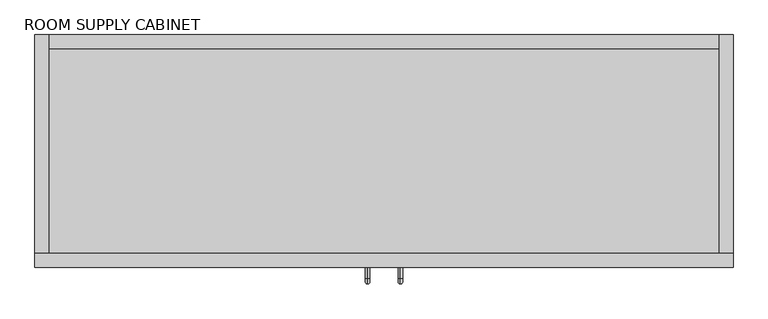
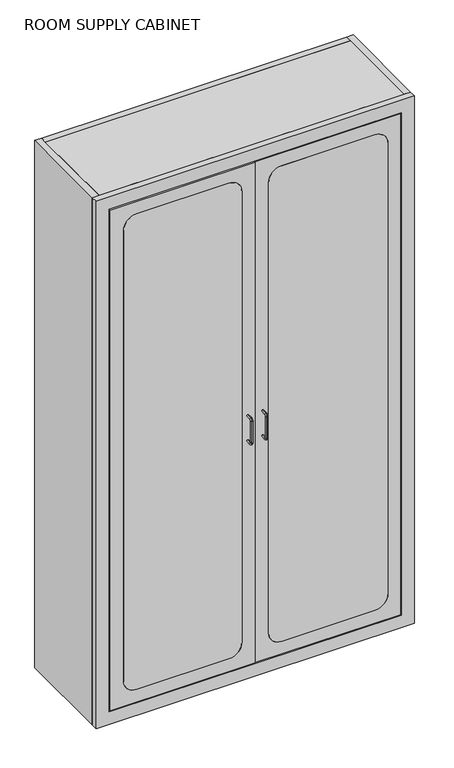
"""IFC4 building model written with IfcOpenShell, lengths in millimetres: proxy geometry, ROOM SUPPLY CABINET."""

from ifc_helpers import new_model, si_unit, point, frame, frame_2d, origin, origin_with_axes, place, context, project, spatial, polyline, circle_curve, ellipse_curve, trimmed, segment, composite_curve, outline, extrude, source, transform, mapped, element, save
from ifc_brep_helpers import plane_surface, cylinder_surface, revolved_surface, advanced_brep


def room_supply_cabinet_da64c562(model_context):
    return source(origin(), model_context, "Body", "SolidModel", [
        extrude(outline(polyline([(954.0836975, 0.0), (928.6836975, 0.0), (928.6836975, 355.6), (954.0836975, 355.6), (954.0836975, 0.0)])), frame((0.0, 0.0, 1476.375), z_axis=(0.0, 0.0, 1.0), x_axis=(1.0, 0.0, 0.0)), (0.0, 0.0, 1.0), 76.2),
        extrude(outline(polyline([(547.6836975, 0.0), (522.2836975, 0.0), (522.2836975, 355.6), (547.6836975, 355.6), (547.6836975, 0.0)])), frame((0.0, 0.0, 1476.375), z_axis=(0.0, 0.0, 1.0), x_axis=(1.0, 0.0, 0.0)), (0.0, 0.0, 1.0), 76.2),
        extrude(outline(polyline([(750.8836975, 0.0), (725.4836975, 0.0), (725.4836975, 355.6), (750.8836975, 355.6), (750.8836975, 0.0)])), frame((0.0, 0.0, 1476.375), z_axis=(0.0, 0.0, 1.0), x_axis=(1.0, 0.0, 0.0)), (0.0, 0.0, 1.0), 76.2),
        extrude(outline(polyline([(649.2836975, 0.0), (623.8836975, 0.0), (623.8836975, 355.6), (649.2836975, 355.6), (649.2836975, 0.0)])), frame((0.0, 0.0, 1476.375), z_axis=(0.0, 0.0, 1.0), x_axis=(1.0, 0.0, 0.0)), (0.0, 0.0, 1.0), 76.2),
        extrude(outline(polyline([(852.4836975, 0.0), (827.0836975, 0.0), (827.0836975, 355.6), (852.4836975, 355.6), (852.4836975, 0.0)])), frame((0.0, 0.0, 1476.375), z_axis=(0.0, 0.0, 1.0), x_axis=(1.0, 0.0, 0.0)), (0.0, 0.0, 1.0), 76.2),
        extrude(outline(polyline([(-11.1163025, 0.0), (-36.5163025, 0.0), (-36.5163025, 355.6), (-11.1163025, 355.6), (-11.1163025, 0.0)])), frame((0.0, 0.0, 1476.375), z_axis=(0.0, 0.0, 1.0), x_axis=(1.0, 0.0, 0.0)), (0.0, 0.0, 1.0), 76.2),
        extrude(outline(polyline([(395.2836975, 0.0), (369.8836975, 0.0), (369.8836975, 355.6), (395.2836975, 355.6), (395.2836975, 0.0)])), frame((0.0, 0.0, 1476.375), z_axis=(0.0, 0.0, 1.0), x_axis=(1.0, 0.0, 0.0)), (0.0, 0.0, 1.0), 76.2),
        extrude(outline(polyline([(192.0836975, 0.0), (166.6836975, 0.0), (166.6836975, 355.6), (192.0836975, 355.6), (192.0836975, 0.0)])), frame((0.0, 0.0, 1476.375), z_axis=(0.0, 0.0, 1.0), x_axis=(1.0, 0.0, 0.0)), (0.0, 0.0, 1.0), 76.2),
        extrude(outline(polyline([(293.6836975, 0.0), (268.2836975, 0.0), (268.2836975, 355.6), (293.6836975, 355.6), (293.6836975, 0.0)])), frame((0.0, 0.0, 1476.375), z_axis=(0.0, 0.0, 1.0), x_axis=(1.0, 0.0, 0.0)), (0.0, 0.0, 1.0), 76.2),
        extrude(outline(polyline([(90.4836975, 0.0), (65.0836975, 0.0), (65.0836975, 355.6), (90.4836975, 355.6), (90.4836975, 0.0)])), frame((0.0, 0.0, 1476.375), z_axis=(0.0, 0.0, 1.0), x_axis=(1.0, 0.0, 0.0)), (0.0, 0.0, 1.0), 76.2),
        extrude(outline(polyline([(1042.9836975, 0.0), (-125.4163025, 0.0), (-125.4163025, 355.6), (1042.9836975, 355.6), (1042.9836975, 0.0)])), frame((0.0, 0.0, 1552.575), z_axis=(0.0, 0.0, 1.0), x_axis=(1.0, 0.0, 0.0)), (0.0, 0.0, 1.0), 12.7),
        extrude(outline(composite_curve([segment(trimmed(circle_curve(frame_2d((155.575, 4.7586975)), 50.8), [point((155.575, -46.0413025))], [point((104.775, 4.7586975))], False, "CARTESIAN"), True, "CONTINUOUS"), segment(polyline([(104.775, 4.7586975), (104.775, 357.1786276)]), True, "CONTINUOUS"), segment(trimmed(circle_curve(frame_2d((155.575, 357.1786276)), 50.8), [point((104.775, 357.1786276))], [point((155.575, 407.9786276))], False, "CARTESIAN"), True, "CONTINUOUS"), segment(polyline([(155.575, 407.9786276), (1978.025, 407.9786276)]), True, "CONTINUOUS"), segment(trimmed(circle_curve(frame_2d((1978.025, 357.1786276)), 50.8), [point((1978.025, 407.9786276))], [point((2028.825, 357.1786276))], False, "CARTESIAN"), True, "CONTINUOUS"), segment(polyline([(2028.825, 357.1786276), (2028.825, 4.7586975)]), True, "CONTINUOUS"), segment(trimmed(circle_curve(frame_2d((1978.025, 4.7586975)), 50.8), [point((2028.825, 4.7586975))], [point((1978.025, -46.0413025))], False, "CARTESIAN"), True, "CONTINUOUS"), segment(polyline([(1978.025, -46.0413025), (155.575, -46.0413025)]), True, "CONTINUOUS")], self_intersect=False)), frame((0.0, -25.4, 0.0), z_axis=(0.0, 1.0, 0.0), x_axis=(0.0, 0.0, 1.0)), (0.0, 0.0, 1.0), 25.4),
        extrude(outline(composite_curve([segment(trimmed(circle_curve(frame_2d((155.575, 560.3836975)), 50.8), [point((155.575, 509.5836975))], [point((104.775, 560.3836975))], False, "CARTESIAN"), True, "CONTINUOUS"), segment(polyline([(104.775, 560.3836975), (104.775, 915.9836975)]), True, "CONTINUOUS"), segment(trimmed(circle_curve(frame_2d((155.575, 915.9836975)), 50.8), [point((104.775, 915.9836975))], [point((155.575, 966.7836975))], False, "CARTESIAN"), True, "CONTINUOUS"), segment(polyline([(155.575, 966.7836975), (1978.025, 966.7836975)]), True, "CONTINUOUS"), segment(trimmed(circle_curve(frame_2d((1978.025, 915.9836975)), 50.8), [point((1978.025, 966.7836975))], [point((2028.825, 915.9836975))], False, "CARTESIAN"), True, "CONTINUOUS"), segment(polyline([(2028.825, 915.9836975), (2028.825, 560.3836975)]), True, "CONTINUOUS"), segment(trimmed(circle_curve(frame_2d((1978.025, 560.3836975)), 50.8), [point((2028.825, 560.3836975))], [point((1978.025, 509.5836975))], False, "CARTESIAN"), True, "CONTINUOUS"), segment(polyline([(1978.025, 509.5836975), (155.575, 509.5836975)]), True, "CONTINUOUS")], self_intersect=False)), frame((0.0, -25.4, 0.0), z_axis=(0.0, 1.0, 0.0), x_axis=(0.0, 0.0, 1.0)), (0.0, 0.0, 1.0), 25.4),
        extrude(outline(polyline([(1042.9836975, 355.6), (1042.9836975, 0.0), (-125.4163025, 0.0), (-125.4163025, 355.6), (1042.9836975, 355.6)])), frame((0.0, 0.0, 2108.2), z_axis=(0.0, 0.0, 1.0), x_axis=(1.0, 0.0, 0.0)), (0.0, 0.0, 1.0), 25.4),
        extrude(outline(polyline([(1042.9836975, 355.6), (1042.9836975, 0.0), (-125.4163025, 0.0), (-125.4163025, 355.6), (1042.9836975, 355.6)])), frame((0.0, 0.0, 28.575), z_axis=(0.0, 0.0, 1.0), x_axis=(1.0, 0.0, 0.0)), (0.0, 0.0, 1.0), 25.4),
        extrude(outline(polyline([(1042.9836975, 355.6), (-125.4163025, 355.6), (-125.4163025, 381.0), (1042.9836975, 381.0), (1042.9836975, 355.6)])), origin_with_axes(), (0.0, 0.0, 1.0), 2133.6),
        extrude(outline(polyline([(-150.8163025, 0.0), (-150.8163025, 381.0), (-125.4163025, 381.0), (-125.4163025, 0.0), (-150.8163025, 0.0)])), origin_with_axes(), (0.0, 0.0, 1.0), 2133.6),
        extrude(outline(polyline([(1068.3836975, 381.0), (1068.3836975, 0.0), (1042.9836975, 0.0), (1042.9836975, 381.0), (1068.3836975, 381.0)])), origin_with_axes(), (0.0, 0.0, 1.0), 2133.6),
        advanced_brep(
        [(487.359965, -25.4, 1067.435), (487.359965, -25.4, 1059.815), (487.359965, -44.45, 1067.435), (487.359965, -44.45, 1059.815), (487.359965, -46.99, 1057.275), (487.359965, -54.61, 1057.275), (487.359965, -54.61, 968.375), (487.359965, -46.99, 968.375), (487.359965, -44.45, 965.835), (487.359965, -44.45, 958.215), (487.359965, -25.4, 958.215), (487.359965, -25.4, 965.835)],
        [
            (0, 1, circle_curve(frame((487.359965, -25.4, 1063.625), z_axis=(0.0, 1.0, 0.0), x_axis=(0.0, 0.0, -1.0)), 3.81)),
            (1, 0, circle_curve(frame((487.359965, -25.4, 1063.625), z_axis=(0.0, 1.0, 0.0), x_axis=(0.0, 0.0, -1.0)), 3.81)),
            (0, 2),
            (2, 3, circle_curve(frame((487.359965, -44.45, 1063.625), z_axis=(0.0, 1.0, 0.0), x_axis=(0.0, 0.0, -1.0)), 3.81)),
            (3, 1),
            (3, 2, circle_curve(frame((487.359965, -44.45, 1063.625), z_axis=(0.0, 1.0, 0.0), x_axis=(0.0, 0.0, -1.0)), 3.81)),
            (4, 3, circle_curve(frame((487.359965, -44.45, 1057.275), z_axis=(-1.0, 0.0, 0.0), x_axis=(0.0, 0.0, 1.0)), 2.54)),
            (2, 5, circle_curve(frame((487.359965, -44.45, 1057.275), z_axis=(1.0, 0.0, 0.0), x_axis=(0.0, 0.0, 1.0)), 10.16)),
            (5, 4, circle_curve(frame((487.359965, -50.8, 1057.275), z_axis=(0.0, 0.0, 1.0), x_axis=(0.0, 1.0, 0.0)), 3.81)),
            (4, 5, circle_curve(frame((487.359965, -50.8, 1057.275), z_axis=(0.0, 0.0, 1.0), x_axis=(0.0, 1.0, 0.0)), 3.81)),
            (5, 6),
            (6, 7, circle_curve(frame((487.359965, -50.8, 968.375), z_axis=(0.0, 0.0, 1.0), x_axis=(0.0, 1.0, 0.0)), 3.81)),
            (7, 4),
            (7, 6, circle_curve(frame((487.359965, -50.8, 968.375), z_axis=(0.0, 0.0, 1.0), x_axis=(0.0, 1.0, 0.0)), 3.81)),
            (8, 7, circle_curve(frame((487.359965, -44.45, 968.375), z_axis=(-1.0, 0.0, 0.0), x_axis=(0.0, -1.0, 0.0)), 2.54)),
            (6, 9, circle_curve(frame((487.359965, -44.45, 968.375), z_axis=(1.0, 0.0, 0.0), x_axis=(0.0, -1.0, 0.0)), 10.16)),
            (9, 8, circle_curve(frame((487.359965, -44.45, 962.025), z_axis=(0.0, -1.0, 0.0), x_axis=(0.0, 0.0, 1.0)), 3.81)),
            (8, 9, circle_curve(frame((487.359965, -44.45, 962.025), z_axis=(0.0, -1.0, 0.0), x_axis=(0.0, 0.0, 1.0)), 3.81)),
            (10, 11, circle_curve(frame((487.359965, -25.4, 962.025), z_axis=(0.0, 1.0, 0.0), x_axis=(0.0, 0.0, 1.0)), 3.81)),
            (11, 10, circle_curve(frame((487.359965, -25.4, 962.025), z_axis=(0.0, 1.0, 0.0), x_axis=(0.0, 0.0, 1.0)), 3.81)),
            (9, 10),
            (11, 8),
        ],
        [
            plane_surface(frame((487.359965, -25.4, 1063.625), z_axis=(0.0, 1.0, 0.0), x_axis=(1.0, 0.0, 0.0))),
            cylinder_surface(frame((487.359965, -25.4, 1063.625), z_axis=(0.0, 1.0, 0.0), x_axis=(0.0, 0.0, -1.0)), 3.81),
            revolved_surface(trimmed(ellipse_curve(frame((487.359965, -44.45, 1063.625), z_axis=(0.0, 1.0, 0.0), x_axis=(0.0, 0.0, -1.0)), 3.81, 3.81), [point((487.359965, -44.45, 1067.435))], [point((487.359965, -44.45, 1059.815))], True, "CARTESIAN"), (487.359965, -44.45, 1057.275), (1.0, 0.0, 0.0)),
            revolved_surface(trimmed(ellipse_curve(frame((487.359965, -44.45, 1063.625), z_axis=(0.0, 1.0, 0.0), x_axis=(0.0, 0.0, -1.0)), 3.81, 3.81), [point((487.359965, -44.45, 1059.815))], [point((487.359965, -44.45, 1067.435))], True, "CARTESIAN"), (487.359965, -44.45, 1057.275), (1.0, 0.0, 0.0)),
            cylinder_surface(frame((487.359965, -50.8, 1057.275), z_axis=(0.0, 0.0, 1.0), x_axis=(0.0, 1.0, 0.0)), 3.81),
            revolved_surface(trimmed(ellipse_curve(frame((487.359965, -50.8, 968.375), z_axis=(0.0, 0.0, 1.0), x_axis=(0.0, 1.0, 0.0)), 3.81, 3.81), [point((487.359965, -54.61, 968.375))], [point((487.359965, -46.99, 968.375))], True, "CARTESIAN"), (487.359965, -44.45, 968.375), (1.0, 0.0, 0.0)),
            revolved_surface(trimmed(ellipse_curve(frame((487.359965, -50.8, 968.375), z_axis=(0.0, 0.0, 1.0), x_axis=(0.0, 1.0, 0.0)), 3.81, 3.81), [point((487.359965, -46.99, 968.375))], [point((487.359965, -54.61, 968.375))], True, "CARTESIAN"), (487.359965, -44.45, 968.375), (1.0, 0.0, 0.0)),
            plane_surface(frame((487.359965, -25.4, 962.025), z_axis=(0.0, 1.0, 0.0), x_axis=(1.0, 0.0, 0.0))),
            cylinder_surface(frame((487.359965, -44.45, 962.025), z_axis=(0.0, -1.0, 0.0), x_axis=(0.0, 0.0, 1.0)), 3.81),
        ],
        [
            (0, [[1, 2]]),
            (1, [[-1, 3, 4, 5]]),
            (1, [[-2, -5, 6, -3]]),
            (2, [[7, -4, 8, 9]]),
            (3, [[-8, -6, -7, 10]]),
            (4, [[-9, 11, 12, 13]]),
            (4, [[-10, -13, 14, -11]]),
            (5, [[15, -12, 16, 17]]),
            (6, [[-16, -14, -15, 18]]),
            (7, [[19, 20]]),
            (8, [[-17, 21, -20, 22]]),
            (8, [[-18, -22, -19, -21]]),
        ],
    ),
        advanced_brep(
        [(430.20743, -25.4, 1067.435), (430.20743, -25.4, 1059.815), (430.20743, -44.45, 1067.435), (430.20743, -44.45, 1059.815), (430.20743, -46.99, 1057.275), (430.20743, -54.61, 1057.275), (430.20743, -54.61, 968.375), (430.20743, -46.99, 968.375), (430.20743, -44.45, 965.835), (430.20743, -44.45, 958.215), (430.20743, -25.4, 958.215), (430.20743, -25.4, 965.835)],
        [
            (0, 1, circle_curve(frame((430.20743, -25.4, 1063.625), z_axis=(0.0, 1.0, 0.0), x_axis=(0.0, 0.0, -1.0)), 3.81)),
            (1, 0, circle_curve(frame((430.20743, -25.4, 1063.625), z_axis=(0.0, 1.0, 0.0), x_axis=(0.0, 0.0, -1.0)), 3.81)),
            (0, 2),
            (2, 3, circle_curve(frame((430.20743, -44.45, 1063.625), z_axis=(0.0, 1.0, 0.0), x_axis=(0.0, 0.0, -1.0)), 3.81)),
            (3, 1),
            (3, 2, circle_curve(frame((430.20743, -44.45, 1063.625), z_axis=(0.0, 1.0, 0.0), x_axis=(0.0, 0.0, -1.0)), 3.81)),
            (4, 3, circle_curve(frame((430.20743, -44.45, 1057.275), z_axis=(-1.0, 0.0, 0.0), x_axis=(0.0, 0.0, 1.0)), 2.54)),
            (2, 5, circle_curve(frame((430.20743, -44.45, 1057.275), z_axis=(1.0, 0.0, 0.0), x_axis=(0.0, 0.0, 1.0)), 10.16)),
            (5, 4, circle_curve(frame((430.20743, -50.8, 1057.275), z_axis=(0.0, 0.0, 1.0), x_axis=(0.0, 1.0, 0.0)), 3.81)),
            (4, 5, circle_curve(frame((430.20743, -50.8, 1057.275), z_axis=(0.0, 0.0, 1.0), x_axis=(0.0, 1.0, 0.0)), 3.81)),
            (5, 6),
            (6, 7, circle_curve(frame((430.20743, -50.8, 968.375), z_axis=(0.0, 0.0, 1.0), x_axis=(0.0, 1.0, 0.0)), 3.81)),
            (7, 4),
            (7, 6, circle_curve(frame((430.20743, -50.8, 968.375), z_axis=(0.0, 0.0, 1.0), x_axis=(0.0, 1.0, 0.0)), 3.81)),
            (8, 7, circle_curve(frame((430.20743, -44.45, 968.375), z_axis=(-1.0, 0.0, 0.0), x_axis=(0.0, -1.0, 0.0)), 2.54)),
            (6, 9, circle_curve(frame((430.20743, -44.45, 968.375), z_axis=(1.0, 0.0, 0.0), x_axis=(0.0, -1.0, 0.0)), 10.16)),
            (9, 8, circle_curve(frame((430.20743, -44.45, 962.025), z_axis=(0.0, -1.0, 0.0), x_axis=(0.0, 0.0, 1.0)), 3.81)),
            (8, 9, circle_curve(frame((430.20743, -44.45, 962.025), z_axis=(0.0, -1.0, 0.0), x_axis=(0.0, 0.0, 1.0)), 3.81)),
            (10, 11, circle_curve(frame((430.20743, -25.4, 962.025), z_axis=(0.0, 1.0, 0.0), x_axis=(0.0, 0.0, 1.0)), 3.81)),
            (11, 10, circle_curve(frame((430.20743, -25.4, 962.025), z_axis=(0.0, 1.0, 0.0), x_axis=(0.0, 0.0, 1.0)), 3.81)),
            (9, 10),
            (11, 8),
        ],
        [
            plane_surface(frame((430.20743, -25.4, 1063.625), z_axis=(0.0, 1.0, 0.0), x_axis=(1.0, 0.0, 0.0))),
            cylinder_surface(frame((430.20743, -25.4, 1063.625), z_axis=(0.0, 1.0, 0.0), x_axis=(0.0, 0.0, -1.0)), 3.81),
            revolved_surface(trimmed(ellipse_curve(frame((430.20743, -44.45, 1063.625), z_axis=(0.0, 1.0, 0.0), x_axis=(0.0, 0.0, -1.0)), 3.81, 3.81), [point((430.20743, -44.45, 1067.435))], [point((430.20743, -44.45, 1059.815))], True, "CARTESIAN"), (430.20743, -44.45, 1057.275), (1.0, 0.0, 0.0)),
            revolved_surface(trimmed(ellipse_curve(frame((430.20743, -44.45, 1063.625), z_axis=(0.0, 1.0, 0.0), x_axis=(0.0, 0.0, -1.0)), 3.81, 3.81), [point((430.20743, -44.45, 1059.815))], [point((430.20743, -44.45, 1067.435))], True, "CARTESIAN"), (430.20743, -44.45, 1057.275), (1.0, 0.0, 0.0)),
            cylinder_surface(frame((430.20743, -50.8, 1057.275), z_axis=(0.0, 0.0, 1.0), x_axis=(0.0, 1.0, 0.0)), 3.81),
            revolved_surface(trimmed(ellipse_curve(frame((430.20743, -50.8, 968.375), z_axis=(0.0, 0.0, 1.0), x_axis=(0.0, 1.0, 0.0)), 3.81, 3.81), [point((430.20743, -54.61, 968.375))], [point((430.20743, -46.99, 968.375))], True, "CARTESIAN"), (430.20743, -44.45, 968.375), (1.0, 0.0, 0.0)),
            revolved_surface(trimmed(ellipse_curve(frame((430.20743, -50.8, 968.375), z_axis=(0.0, 0.0, 1.0), x_axis=(0.0, 1.0, 0.0)), 3.81, 3.81), [point((430.20743, -46.99, 968.375))], [point((430.20743, -54.61, 968.375))], True, "CARTESIAN"), (430.20743, -44.45, 968.375), (1.0, 0.0, 0.0)),
            plane_surface(frame((430.20743, -25.4, 962.025), z_axis=(0.0, 1.0, 0.0), x_axis=(1.0, 0.0, 0.0))),
            cylinder_surface(frame((430.20743, -44.45, 962.025), z_axis=(0.0, -1.0, 0.0), x_axis=(0.0, 0.0, 1.0)), 3.81),
        ],
        [
            (0, [[1, 2]]),
            (1, [[-1, 3, 4, 5]]),
            (1, [[-2, -5, 6, -3]]),
            (2, [[7, -4, 8, 9]]),
            (3, [[-8, -6, -7, 10]]),
            (4, [[-9, 11, 12, 13]]),
            (4, [[-10, -13, 14, -11]]),
            (5, [[15, -12, 16, 17]]),
            (6, [[-16, -14, -15, 18]]),
            (7, [[19, 20]]),
            (8, [[-17, 21, -20, 22]]),
            (8, [[-18, -22, -19, -21]]),
        ],
    ),
        extrude(outline(polyline([(53.975, -96.8413025), (53.975, 457.1911276), (2079.625, 457.1911276), (2079.625, -96.8413025), (53.975, -96.8413025)]), holes=[composite_curve([segment(polyline([(155.575, -46.0413025), (1978.025, -46.0413025)]), True, "CONTINUOUS"), segment(trimmed(circle_curve(frame_2d((1978.025, 4.7586975)), 50.8), [point((1978.025, -46.0413025))], [point((2028.825, 4.7586975))], True, "CARTESIAN"), True, "CONTINUOUS"), segment(polyline([(2028.825, 4.7586975), (2028.825, 355.5911276)]), True, "CONTINUOUS"), segment(trimmed(circle_curve(frame_2d((1978.025, 355.5911276)), 50.8), [point((2028.825, 355.5911276))], [point((1978.025, 406.3911276))], True, "CARTESIAN"), True, "CONTINUOUS"), segment(polyline([(1978.025, 406.3911276), (155.575, 406.3911276)]), True, "CONTINUOUS"), segment(trimmed(circle_curve(frame_2d((155.575, 355.5911276)), 50.8), [point((155.575, 406.3911276))], [point((104.775, 355.5911276))], True, "CARTESIAN"), True, "CONTINUOUS"), segment(polyline([(104.775, 355.5911276), (104.775, 4.7586975)]), True, "CONTINUOUS"), segment(trimmed(circle_curve(frame_2d((155.575, 4.7586975)), 50.8), [point((104.775, 4.7586975))], [point((155.575, -46.0413025))], True, "CARTESIAN"), True, "CONTINUOUS")], self_intersect=False)]), frame((0.0, -25.4, 0.0), z_axis=(0.0, 1.0, 0.0), x_axis=(0.0, 0.0, 1.0)), (0.0, 0.0, 1.0), 25.4),
        extrude(outline(polyline([(2079.625, 1014.4086975), (2079.625, 460.3661276), (53.975, 460.3661276), (53.975, 1014.4086975), (2079.625, 1014.4086975)]), holes=[composite_curve([segment(polyline([(155.575, 509.5836975), (1978.025, 509.5836975)]), True, "CONTINUOUS"), segment(trimmed(circle_curve(frame_2d((1978.025, 560.3836975)), 50.8), [point((1978.025, 509.5836975))], [point((2028.825, 560.3836975))], True, "CARTESIAN"), True, "CONTINUOUS"), segment(polyline([(2028.825, 560.3836975), (2028.825, 915.9836975)]), True, "CONTINUOUS"), segment(trimmed(circle_curve(frame_2d((1978.025, 915.9836975)), 50.8), [point((2028.825, 915.9836975))], [point((1978.025, 966.7836975))], True, "CARTESIAN"), True, "CONTINUOUS"), segment(polyline([(1978.025, 966.7836975), (155.575, 966.7836975)]), True, "CONTINUOUS"), segment(trimmed(circle_curve(frame_2d((155.575, 915.9836975)), 50.8), [point((155.575, 966.7836975))], [point((104.775, 915.9836975))], True, "CARTESIAN"), True, "CONTINUOUS"), segment(polyline([(104.775, 915.9836975), (104.775, 560.3836975)]), True, "CONTINUOUS"), segment(trimmed(circle_curve(frame_2d((155.575, 560.3836975)), 50.8), [point((104.775, 560.3836975))], [point((155.575, 509.5836975))], True, "CARTESIAN"), True, "CONTINUOUS")], self_intersect=False)]), frame((0.0, -25.4, 0.0), z_axis=(0.0, 1.0, 0.0), x_axis=(0.0, 0.0, 1.0)), (0.0, 0.0, 1.0), 25.4),
        extrude(outline(polyline([(2133.6, 1068.3836975), (2133.6, -150.8163025), (0.0, -150.8163025), (0.0, 1068.3836975), (2133.6, 1068.3836975)]), holes=[polyline([(2082.8, 1017.5836975), (50.8, 1017.5836975), (50.8, -100.0163025), (2082.8, -100.0163025), (2082.8, 1017.5836975)])]), frame((0.0, -25.4, 0.0), z_axis=(0.0, 1.0, 0.0), x_axis=(0.0, 0.0, 1.0)), (0.0, 0.0, 1.0), 25.4),
        extrude(outline(polyline([(1042.9836975, 0.0), (-125.4163025, 0.0), (-125.4163025, 355.6), (1042.9836975, 355.6), (1042.9836975, 0.0)])), frame((0.0, 0.0, 1704.975), z_axis=(0.0, 0.0, 1.0), x_axis=(1.0, 0.0, 0.0)), (0.0, 0.0, 1.0), 12.7),
    ])


if __name__ == "__main__":
    model = new_model("IFC4")
    model_context = context("Model", 3, world=origin())
    ifc_project = project(units=[si_unit("LENGTHUNIT", "METRE", prefix="MILLI")], contexts=[model_context])
    site = spatial("IfcSite", under=ifc_project)
    building = spatial("IfcBuilding", under=site)
    placement = place(None, origin())
    room_supply_cabinet_shape = room_supply_cabinet_da64c562(model_context)
    element("IfcBuildingElementProxy", 1, Name="ROOM SUPPLY CABINET", ObjectType="ROOM SUPPLY CABINET", at=placement, inside=building, context=model_context, shape_type="MappedRepresentation", body=[
        mapped(room_supply_cabinet_shape, transform((0.0, 0.0, 0.0), x_axis=(1.0, 0.0, 0.0), y_axis=(0.0, 1.0, 0.0), z_axis=(0.0, 0.0, 1.0))),
    ])
    save(model, "model.ifc")
